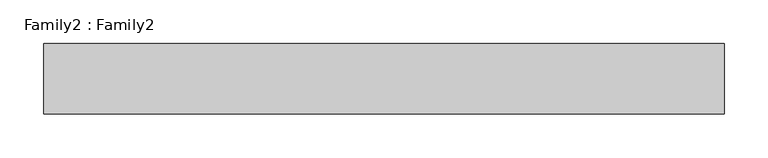
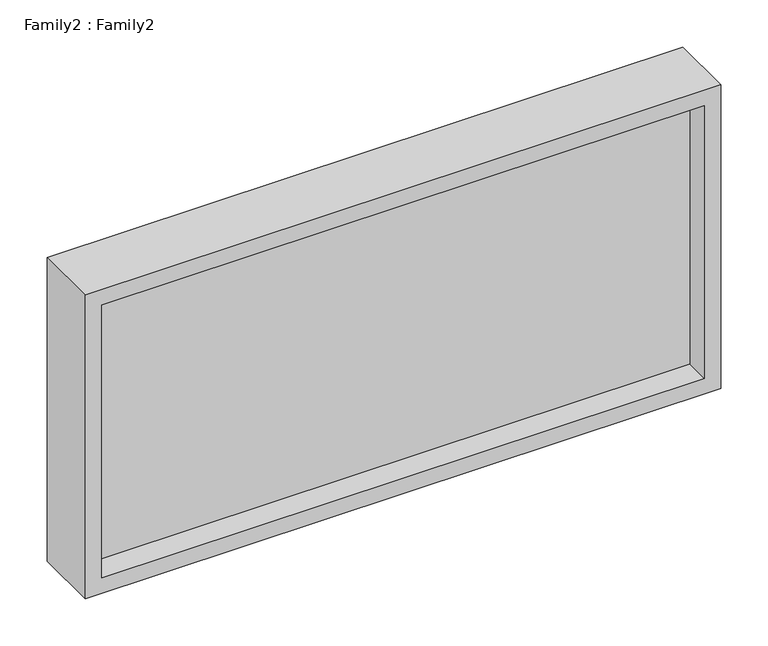
"""IFC4 building model written with IfcOpenShell, lengths in millimetres: plate geometry, Family2 : Family2."""

from ifc_helpers import new_model, si_unit, frame, origin, place, context, project, spatial, polyline, outline, extrude, source, transform, mapped, element, save


def family2_family2_ba77b8a2(model_context):
    return source(origin(), model_context, "Body", "SweptSolid", [
        extrude(outline(polyline([(391.6666667, -387.5), (0.0, -387.5), (0.0, 387.5), (391.6666667, 387.5), (391.6666667, -387.5)]), holes=[polyline([(20.0, -367.5), (371.6666667, -367.5), (371.6666667, 367.5), (20.0, 367.5), (20.0, -367.5)])]), frame((0.0, -40.0, 0.0), z_axis=(0.0, 1.0, 0.0), x_axis=(0.0, 0.0, 1.0)), (0.0, 0.0, 1.0), 80.0),
        extrude(outline(polyline([(367.5, -10.0), (-367.5, -10.0), (-367.5, 10.0), (367.5, 10.0), (367.5, -10.0)])), frame((0.0, 0.0, 20.0), z_axis=(0.0, 0.0, 1.0), x_axis=(1.0, 0.0, 0.0)), (0.0, 0.0, 1.0), 351.6666667),
    ])


if __name__ == "__main__":
    model = new_model("IFC4")
    model_context = context("Model", 3, world=origin())
    ifc_project = project(units=[si_unit("LENGTHUNIT", "METRE", prefix="MILLI")], contexts=[model_context])
    site = spatial("IfcSite", under=ifc_project)
    building = spatial("IfcBuilding", under=site)
    placement = place(None, origin())
    family2_family2_shape = family2_family2_ba77b8a2(model_context)
    element("IfcPlate", 1, ObjectType="Family2 : Family2", at=placement, inside=building, context=model_context, shape_type="MappedRepresentation", body=[
        mapped(family2_family2_shape, transform((0.0, 0.0, 0.0), x_axis=(1.0, 0.0, 0.0), y_axis=(0.0, 1.0, 0.0), z_axis=(0.0, 0.0, 1.0))),
    ])
    save(model, "model.ifc")
